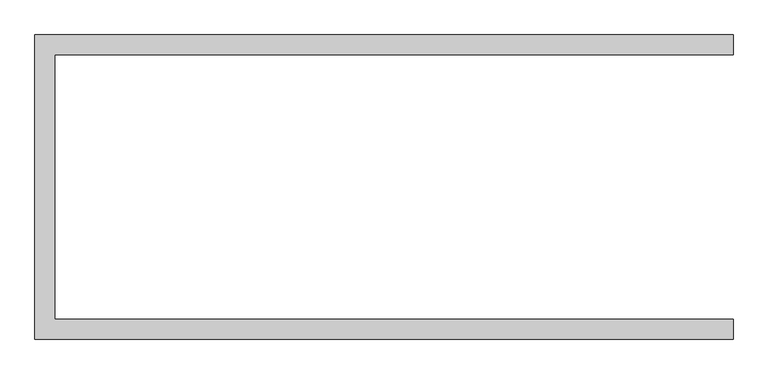
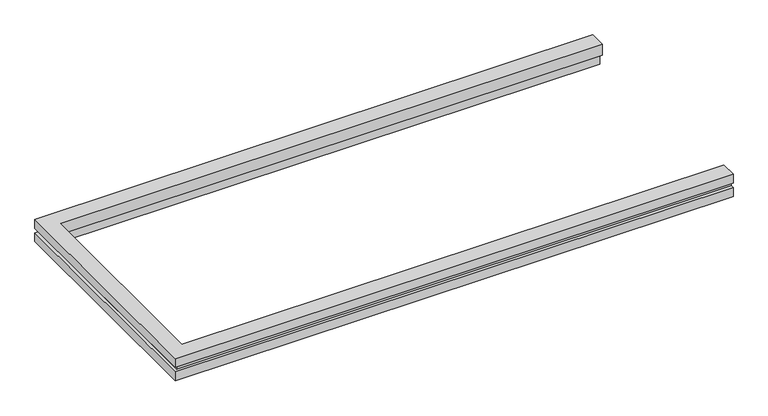
"""IFC4 building model written with IfcOpenShell, lengths in millimetres: member geometry."""

from ifc_helpers import new_model, si_unit, origin, place, context, project, spatial, faceted_brep, source, transform, mapped, element, save


def member_4954c2ac(model_context):
    return source(origin(), model_context, "Body", "Brep", [
        faceted_brep([(1184.5, 516.0000002, 50.0), (1184.5, 448.0000002, 50.0), (1184.5, 448.0000002, 0.0), (1184.5, 465.0000002, 0.0), (1184.5, 465.0000002, -50.0), (1184.5, 516.0000002, -50.0), (1184.5, 516.0000002, -10.25), (1184.5, 503.0000002, -10.25), (1184.5, 503.0000002, 10.25), (1184.5, 516.0000002, 10.25), (-1184.5, -516.0000002, 50.0), (-1184.5, 516.0000002, 50.0), (-1184.5, 516.0000002, 10.25), (-1184.5, -516.0000002, 10.25), (-1184.5, 516.0000002, -50.0), (-1184.5, -516.0000002, -50.0), (-1184.5, -516.0000002, -10.25), (-1184.5, 516.0000002, -10.25), (-1116.5, 448.0000002, 50.0), (-1116.5, 448.0000002, 0.0), (1184.5, -516.0000002, 50.0), (1184.5, -448.0000002, 50.0), (-1116.5, -448.0000002, 50.0), (-1133.5, 465.0000002, -50.0), (-1133.5, -465.0000002, -50.0), (1184.5, -465.0000002, -50.0), (1184.5, -516.0000002, -50.0), (-1133.5, 465.0000002, 0.0), (-1116.5, -448.0000002, 0.0), (1184.5, -448.0000002, 0.0), (1184.5, -465.0000002, 0.0), (-1133.5, -465.0000002, 0.0), (1184.5, -516.0000002, 10.25), (1184.5, -516.0000002, -10.25), (1184.5, -503.0000002, 10.25), (1184.5, -503.0000002, -10.25), (-1171.5, 503.0000002, -10.25), (-1171.5, 503.0000002, 10.25), (-1171.5, -503.0000002, -10.25), (-1171.5, -503.0000002, 10.25)], [[[0, 1, 2, 3, 4, 5, 6, 7, 8, 9]], [[10, 11, 12, 13]], [[14, 15, 16, 17]], [[1, 18, 19, 2]], [[1, 0, 11, 10, 20, 21, 22, 18]], [[11, 0, 9, 12]], [[5, 14, 17, 6]], [[14, 5, 4, 23, 24, 25, 26, 15]], [[27, 3, 2, 19, 28, 29, 30, 31]], [[27, 31, 24, 23]], [[31, 30, 25, 24]], [[3, 27, 23, 4]], [[20, 10, 13, 32]], [[15, 26, 33, 16]], [[18, 22, 28, 19]], [[21, 20, 32, 34, 35, 33, 26, 25, 30, 29]], [[22, 21, 29, 28]], [[8, 7, 36, 37]], [[7, 6, 17, 16, 33, 35, 38, 36]], [[9, 8, 37, 39, 34, 32, 13, 12]], [[35, 34, 39, 38]], [[36, 38, 39, 37]]]),
    ])


if __name__ == "__main__":
    model = new_model("IFC4")
    model_context = context("Model", 3, world=origin())
    ifc_project = project(units=[si_unit("LENGTHUNIT", "METRE", prefix="MILLI")], contexts=[model_context])
    site = spatial("IfcSite", under=ifc_project)
    building = spatial("IfcBuilding", under=site)
    placement = place(None, origin())
    member_shape = member_4954c2ac(model_context)
    element("IfcMember", 1, at=placement, inside=building, context=model_context, shape_type="MappedRepresentation", body=[
        mapped(member_shape, transform((0.0, 0.0, 0.0), x_axis=(1.0, 0.0, 0.0), y_axis=(0.0, 1.0, 0.0), z_axis=(0.0, 0.0, 1.0))),
    ])
    save(model, "model.ifc")
